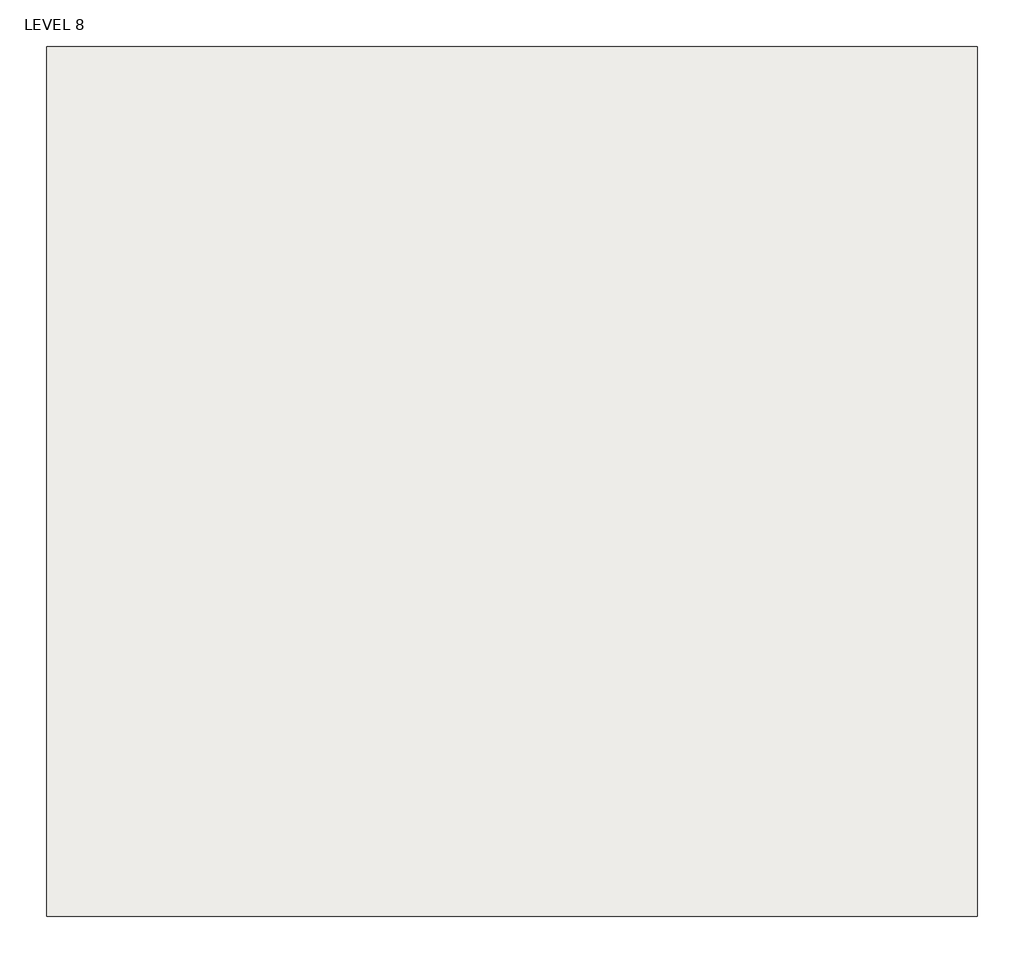
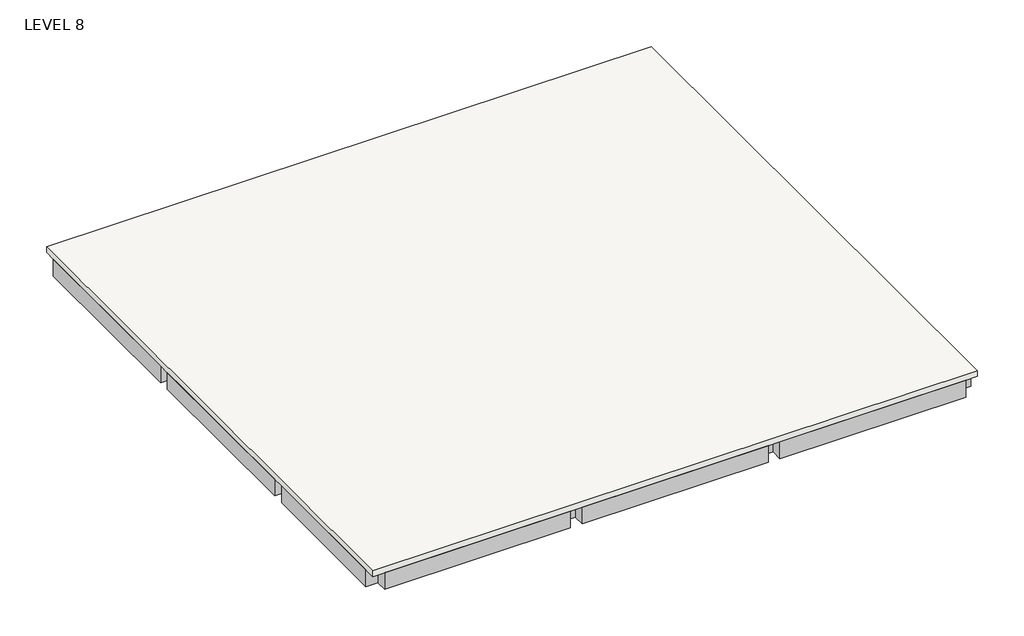
# One storey: 8 beams, 1 slab.
"""IFC4 building model written with IfcOpenShell, lengths in millimetres."""

from ifc_helpers import new_model, si_unit, frame, origin, place, context, project, spatial, polyline, outline, extrude, faceted_brep, element, save

model = new_model("IFC4")

# Units and contexts
model_context = context("Model", 3, world=origin())
ifc_project = project(units=[si_unit("LENGTHUNIT", "METRE", prefix="MILLI")], contexts=[model_context])

# Site, building, storey
site = spatial("IfcSite", under=ifc_project)
building = spatial("IfcBuilding", under=site)
storey = spatial("IfcBuildingStorey", under=building, Name="LEVEL 8", Elevation=12000.0)

# Beams
placement = place(None, origin())
element("IfcBeam", 1, ObjectType="M_Concrete-Rectangular Beam : 300 x 600mm", at=placement, inside=storey, context=model_context, shape_type="SweptSolid", body=[
    extrude(outline(polyline([(-32641.1943878, -22458.351884), (-32641.1943878, -22758.351884), (-37341.1943878, -22758.351884), (-37341.1943878, -22458.351884), (-32641.1943878, -22458.351884)])), frame((0.0, 0.0, 11400.0), z_axis=(0.0, 0.0, 1.0), x_axis=(1.0, 0.0, 0.0)), (0.0, 0.0, 1.0), 450.0),
    extrude(outline(polyline([(-47341.1943878, -22758.351884), (-47341.1943878, -22458.351884), (-42641.1943878, -22458.351884), (-42641.1943878, -22758.351884), (-47341.1943878, -22758.351884)])), frame((0.0, 0.0, 11400.0), z_axis=(0.0, 0.0, 1.0), x_axis=(1.0, 0.0, 0.0)), (0.0, 0.0, 1.0), 450.0),
    extrude(outline(polyline([(-42341.1943878, -22758.351884), (-42341.1943878, -22458.351884), (-37641.1943878, -22458.351884), (-37641.1943878, -22758.351884), (-42341.1943878, -22758.351884)])), frame((0.0, 0.0, 11400.0), z_axis=(0.0, 0.0, 1.0), x_axis=(1.0, 0.0, 0.0)), (0.0, 0.0, 1.0), 450.0),
])
element("IfcBeam", 2, ObjectType="M_Concrete-Rectangular Beam : 300 x 600mm", at=placement, inside=storey, context=model_context, shape_type="SweptSolid", body=[
    extrude(outline(polyline([(-32341.1943878, -36458.351884), (-32641.1943878, -36458.351884), (-32641.1943878, -32758.351884), (-32341.1943878, -32758.351884), (-32341.1943878, -36458.351884)])), frame((0.0, 0.0, 11400.0), z_axis=(0.0, 0.0, 1.0), x_axis=(1.0, 0.0, 0.0)), (0.0, 0.0, 1.0), 450.0),
    extrude(outline(polyline([(-32641.1943878, -22758.351884), (-32341.1943878, -22758.351884), (-32341.1943878, -27458.351884), (-32641.1943878, -27458.351884), (-32641.1943878, -22758.351884)])), frame((0.0, 0.0, 11400.0), z_axis=(0.0, 0.0, 1.0), x_axis=(1.0, 0.0, 0.0)), (0.0, 0.0, 1.0), 450.0),
    extrude(outline(polyline([(-32341.1943878, -32458.351884), (-32641.1943878, -32458.351884), (-32641.1943878, -27758.351884), (-32341.1943878, -27758.351884), (-32341.1943878, -32458.351884)])), frame((0.0, 0.0, 11400.0), z_axis=(0.0, 0.0, 1.0), x_axis=(1.0, 0.0, 0.0)), (0.0, 0.0, 1.0), 450.0),
])
element("IfcBeam", 3, ObjectType="M_Concrete-Rectangular Beam : 300 x 600mm", at=placement, inside=storey, context=model_context, shape_type="SweptSolid", body=[
    extrude(outline(polyline([(-47341.1943878, -36458.351884), (-47641.1943878, -36458.351884), (-47641.1943878, -32758.351884), (-47341.1943878, -32758.351884), (-47341.1943878, -36458.351884)])), frame((0.0, 0.0, 11400.0), z_axis=(0.0, 0.0, 1.0), x_axis=(1.0, 0.0, 0.0)), (0.0, 0.0, 1.0), 450.0),
    extrude(outline(polyline([(-47641.1943878, -22758.351884), (-47341.1943878, -22758.351884), (-47341.1943878, -27458.351884), (-47641.1943878, -27458.351884), (-47641.1943878, -22758.351884)])), frame((0.0, 0.0, 11400.0), z_axis=(0.0, 0.0, 1.0), x_axis=(1.0, 0.0, 0.0)), (0.0, 0.0, 1.0), 450.0),
    extrude(outline(polyline([(-47341.1943878, -32458.351884), (-47641.1943878, -32458.351884), (-47641.1943878, -27758.351884), (-47341.1943878, -27758.351884), (-47341.1943878, -32458.351884)])), frame((0.0, 0.0, 11400.0), z_axis=(0.0, 0.0, 1.0), x_axis=(1.0, 0.0, 0.0)), (0.0, 0.0, 1.0), 450.0),
])
element("IfcBeam", 4, ObjectType="M_Concrete-Rectangular Beam : 300 x 600mm", at=placement, inside=storey, context=model_context, shape_type="SweptSolid", body=[
    extrude(outline(polyline([(-32641.1943878, -36458.351884), (-32641.1943878, -36758.351884), (-37341.1943878, -36758.351884), (-37341.1943878, -36458.351884), (-32641.1943878, -36458.351884)])), frame((0.0, 0.0, 11400.0), z_axis=(0.0, 0.0, 1.0), x_axis=(1.0, 0.0, 0.0)), (0.0, 0.0, 1.0), 450.0),
    extrude(outline(polyline([(-47341.1943878, -36758.351884), (-47341.1943878, -36458.351884), (-42641.1943878, -36458.351884), (-42641.1943878, -36758.351884), (-47341.1943878, -36758.351884)])), frame((0.0, 0.0, 11400.0), z_axis=(0.0, 0.0, 1.0), x_axis=(1.0, 0.0, 0.0)), (0.0, 0.0, 1.0), 450.0),
    extrude(outline(polyline([(-42341.1943878, -36758.351884), (-42341.1943878, -36458.351884), (-37641.1943878, -36458.351884), (-37641.1943878, -36758.351884), (-42341.1943878, -36758.351884)])), frame((0.0, 0.0, 11400.0), z_axis=(0.0, 0.0, 1.0), x_axis=(1.0, 0.0, 0.0)), (0.0, 0.0, 1.0), 450.0),
])
element("IfcBeam", 5, ObjectType="M_Concrete-Rectangular Beam : 300 x 600mm", at=placement, inside=storey, context=model_context, shape_type="SweptSolid", body=[
    extrude(outline(polyline([(-32641.1943878, -27458.351884), (-32641.1943878, -27758.351884), (-37341.1943878, -27758.351884), (-37341.1943878, -27458.351884), (-32641.1943878, -27458.351884)])), frame((0.0, 0.0, 11400.0), z_axis=(0.0, 0.0, 1.0), x_axis=(1.0, 0.0, 0.0)), (0.0, 0.0, 1.0), 450.0),
    extrude(outline(polyline([(-47341.1943878, -27758.351884), (-47341.1943878, -27458.351884), (-42641.1943878, -27458.351884), (-42641.1943878, -27758.351884), (-47341.1943878, -27758.351884)])), frame((0.0, 0.0, 11400.0), z_axis=(0.0, 0.0, 1.0), x_axis=(1.0, 0.0, 0.0)), (0.0, 0.0, 1.0), 450.0),
    extrude(outline(polyline([(-42341.1943878, -27758.351884), (-42341.1943878, -27458.351884), (-37641.1943878, -27458.351884), (-37641.1943878, -27758.351884), (-42341.1943878, -27758.351884)])), frame((0.0, 0.0, 11400.0), z_axis=(0.0, 0.0, 1.0), x_axis=(1.0, 0.0, 0.0)), (0.0, 0.0, 1.0), 450.0),
])
element("IfcBeam", 6, ObjectType="M_Concrete-Rectangular Beam : 300 x 600mm", at=placement, inside=storey, context=model_context, shape_type="SweptSolid", body=[
    extrude(outline(polyline([(-32641.1943878, -32458.351884), (-32641.1943878, -32758.351884), (-37341.1943878, -32758.351884), (-37341.1943878, -32458.351884), (-32641.1943878, -32458.351884)])), frame((0.0, 0.0, 11400.0), z_axis=(0.0, 0.0, 1.0), x_axis=(1.0, 0.0, 0.0)), (0.0, 0.0, 1.0), 450.0),
    extrude(outline(polyline([(-47341.1943878, -32758.351884), (-47341.1943878, -32458.351884), (-42641.1943878, -32458.351884), (-42641.1943878, -32758.351884), (-47341.1943878, -32758.351884)])), frame((0.0, 0.0, 11400.0), z_axis=(0.0, 0.0, 1.0), x_axis=(1.0, 0.0, 0.0)), (0.0, 0.0, 1.0), 450.0),
    extrude(outline(polyline([(-42341.1943878, -32758.351884), (-42341.1943878, -32458.351884), (-37641.1943878, -32458.351884), (-37641.1943878, -32758.351884), (-42341.1943878, -32758.351884)])), frame((0.0, 0.0, 11400.0), z_axis=(0.0, 0.0, 1.0), x_axis=(1.0, 0.0, 0.0)), (0.0, 0.0, 1.0), 450.0),
])
element("IfcBeam", 7, ObjectType="M_Concrete-Rectangular Beam : 300 x 600mm", at=placement, inside=storey, context=model_context, shape_type="SweptSolid", body=[
    extrude(outline(polyline([(-42641.1943878, -32758.351884), (-42341.1943878, -32758.351884), (-42341.1943878, -36458.351884), (-42641.1943878, -36458.351884), (-42641.1943878, -32758.351884)])), frame((0.0, 0.0, 11400.0), z_axis=(0.0, 0.0, 1.0), x_axis=(1.0, 0.0, 0.0)), (0.0, 0.0, 1.0), 450.0),
    extrude(outline(polyline([(-42641.1943878, -27758.351884), (-42341.1943878, -27758.351884), (-42341.1943878, -32458.351884), (-42641.1943878, -32458.351884), (-42641.1943878, -27758.351884)])), frame((0.0, 0.0, 11400.0), z_axis=(0.0, 0.0, 1.0), x_axis=(1.0, 0.0, 0.0)), (0.0, 0.0, 1.0), 450.0),
    extrude(outline(polyline([(-42341.1943878, -27458.351884), (-42641.1943878, -27458.351884), (-42641.1943878, -22758.351884), (-42341.1943878, -22758.351884), (-42341.1943878, -27458.351884)])), frame((0.0, 0.0, 11400.0), z_axis=(0.0, 0.0, 1.0), x_axis=(1.0, 0.0, 0.0)), (0.0, 0.0, 1.0), 450.0),
])
element("IfcBeam", 8, ObjectType="M_Concrete-Rectangular Beam : 300 x 600mm", at=placement, inside=storey, context=model_context, shape_type="SweptSolid", body=[
    extrude(outline(polyline([(-37641.1943878, -32758.351884), (-37341.1943878, -32758.351884), (-37341.1943878, -36458.351884), (-37641.1943878, -36458.351884), (-37641.1943878, -32758.351884)])), frame((0.0, 0.0, 11400.0), z_axis=(0.0, 0.0, 1.0), x_axis=(1.0, 0.0, 0.0)), (0.0, 0.0, 1.0), 450.0),
    extrude(outline(polyline([(-37641.1943878, -27758.351884), (-37341.1943878, -27758.351884), (-37341.1943878, -32458.351884), (-37641.1943878, -32458.351884), (-37641.1943878, -27758.351884)])), frame((0.0, 0.0, 11400.0), z_axis=(0.0, 0.0, 1.0), x_axis=(1.0, 0.0, 0.0)), (0.0, 0.0, 1.0), 450.0),
    extrude(outline(polyline([(-37341.1943878, -27458.351884), (-37641.1943878, -27458.351884), (-37641.1943878, -22758.351884), (-37341.1943878, -22758.351884), (-37341.1943878, -27458.351884)])), frame((0.0, 0.0, 11400.0), z_axis=(0.0, 0.0, 1.0), x_axis=(1.0, 0.0, 0.0)), (0.0, 0.0, 1.0), 450.0),
])

# Slab
element("IfcSlab", 9, ObjectType="150MM RCC STRUCTURAL SLAB", at=placement, inside=storey, context=model_context, shape_type="Brep", body=[
    faceted_brep([(-32341.1943878, -22458.351884, 11850.0), (-32341.1943878, -22758.351884, 11850.0), (-32341.1943878, -27458.351884, 11850.0), (-32341.1943878, -27758.351884, 11850.0), (-32341.1943878, -32458.351884, 11850.0), (-32341.1943878, -32758.351884, 11850.0), (-32341.1943878, -36458.351884, 11850.0), (-32341.1943878, -36758.351884, 11850.0), (-32641.1943878, -36758.351884, 11850.0), (-37341.1943878, -36758.351884, 11850.0), (-37641.1943878, -36758.351884, 11850.0), (-42341.1943878, -36758.351884, 11850.0), (-42641.1943878, -36758.351884, 11850.0), (-47341.1943878, -36758.351884, 11850.0), (-47641.1943878, -36758.351884, 11850.0), (-47641.1943878, -36458.351884, 11850.0), (-47641.1943878, -32758.351884, 11850.0), (-47641.1943878, -32458.351884, 11850.0), (-47641.1943878, -27758.351884, 11850.0), (-47641.1943878, -27458.351884, 11850.0), (-47641.1943878, -22758.351884, 11850.0), (-47641.1943878, -22458.351884, 11850.0), (-47341.1943878, -22458.351884, 11850.0), (-42641.1943878, -22458.351884, 11850.0), (-42341.1943878, -22458.351884, 11850.0), (-37641.1943878, -22458.351884, 11850.0), (-37341.1943878, -22458.351884, 11850.0), (-32641.1943878, -22458.351884, 11850.0), (-32341.1943878, -22458.351884, 12000.0), (-47641.1943878, -22458.351884, 12000.0), (-47641.1943878, -36758.351884, 12000.0), (-32341.1943878, -36758.351884, 12000.0)], [[[0, 1, 2, 3, 4, 5, 6, 7, 8, 9, 10, 11, 12, 13, 14, 15, 16, 17, 18, 19, 20, 21, 22, 23, 24, 25, 26, 27]], [[28, 29, 30, 31]], [[7, 6, 5, 4, 3, 2, 1, 0, 28, 31]], [[14, 13, 12, 11, 10, 9, 8, 7, 31, 30]], [[21, 20, 19, 18, 17, 16, 15, 14, 30, 29]], [[0, 27, 26, 25, 24, 23, 22, 21, 29, 28]]]),
])

save(model, "model.ifc")
